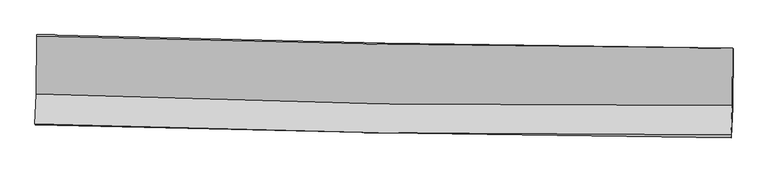
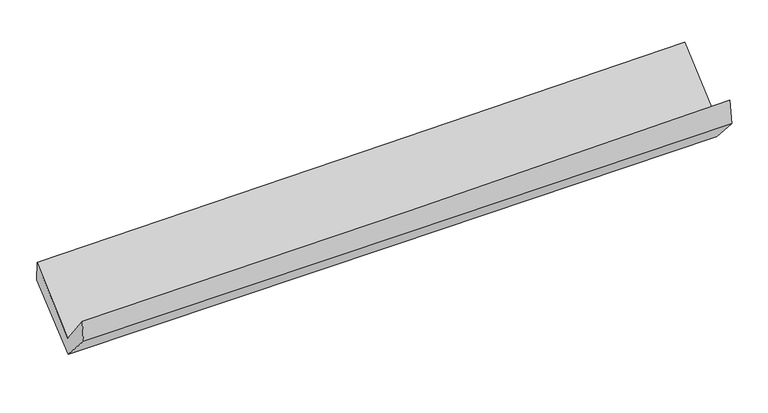
"""IFC4 building model written with IfcOpenShell, lengths in millimetres: proxy geometry."""

from ifc_helpers import new_model, si_unit, frame, origin, place, context, project, spatial, source, transform, mapped, element, save
from ifc_brep_helpers import plane_surface, spline_curve, spline_surface, advanced_brep


def generic_models_f84c7ce4(model_context):
    return source(origin(), model_context, "Body", "AdvancedBrep", [
        advanced_brep(
        [(-3029.6357609, -1165.573231, 2169.920214), (-3031.657303, -1672.8034409, 1720.6359346), (3020.4168103, -1769.5658376, 1883.8029364), (3022.492696, -1272.8295143, 2318.9594264), (-3043.8251861, -1931.0349726, 2051.6661676), (3008.4652715, -2030.0018685, 2201.5668844), (-3040.1599929, -1940.9442823, 1856.7147549), (3012.3393426, -2054.5050582, 1980.2689942), (-3028.6069747, -1675.6076221, 1564.3002274), (3023.7458634, -1792.5329862, 1691.5624144), (-3025.8525239, -1155.7249726, 1990.4942453), (3026.48189, -1276.127766, 2114.9056745)],
        [
            (0, 1),
            (1, 2, spline_curve(3, [(-3031.657303, -1672.8034409, 1720.6359346), (-2023.66869472, -1713.125993986, 1757.029730478), (-1015.342649983, -1741.350865779, 1788.823740069), (1002.015366727, -1773.605742746, 1843.213023987), (2011.047359901, -1777.635003326, 1865.808015032), (3020.4168103, -1769.5658376, 1883.8029364)], [4, 2, 4], [0.0, 9.933163490440174, 19.86663280323644])),
            (2, 3),
            (3, 0, spline_curve(3, [(3022.492696, -1272.8295143, 2318.9594264), (2013.337843637, -1267.811450759, 2304.393472746), (1004.408619006, -1256.364158774, 2284.690291068), (-1012.967519384, -1220.611668391, 2235.010237496), (-2021.414447074, -1196.306865965, 2205.033681392), (-3029.6357609, -1165.573231, 2169.920214)], [4, 2, 4], [0.0, 9.933469312796264, 19.86663280323644])),
            (1, 4),
            (4, 5, spline_curve(3, [(-3043.8251861, -1931.0349726, 2051.6661676), (-2035.645295511, -1967.091003812, 2083.080953361), (-1027.205580217, -1993.36628411, 2111.279929949), (990.224556271, -2026.355851724, 2161.247033833), (1999.214993377, -2033.069536668, 2183.014962635), (3008.4652715, -2030.0018685, 2201.5668844)], [4, 2, 4], [0.0, 9.93334555652663, 19.866996941014804])),
            (5, 2),
            (4, 6),
            (6, 7, spline_curve(3, [(-3040.1599929, -1940.9442823, 1856.7147549), (-2031.630659057, -1967.1610842, 1881.254553534), (-1022.998813188, -1989.732793704, 1903.820511118), (994.500958913, -2027.586610009, 1945.005379272), (2003.368891739, -2042.868492729, 1963.624167735), (3012.3393426, -2054.5050582, 1980.2689942)], [4, 2, 4], [0.0, 9.932631181013791, 19.865568167994926])),
            (7, 5),
            (6, 8),
            (8, 9, spline_curve(3, [(-3028.6069747, -1675.6076221, 1564.3002274), (-2020.053118892, -1701.261230895, 1588.219358441), (-1011.42121948, -1723.831713247, 1610.783963939), (1006.029721654, -1762.80702433, 1653.204776277), (2014.848768302, -1779.211663473, 1673.060899944), (3023.7458634, -1792.5329862, 1691.5624144)], [4, 2, 4], [0.0, 9.932378904839478, 19.865063607879218])),
            (9, 7),
            (8, 10),
            (10, 11, spline_curve(3, [(-3025.8525239, -1155.7249726, 1990.4942453), (-2017.31063002, -1183.636315824, 2012.562511015), (-1008.686247138, -1207.625459414, 2033.964113531), (1008.758552417, -1247.759965407, 2075.434630857), (2017.578974278, -1263.905086108, 2095.503504663), (3026.48189, -1276.127766, 2114.9056745)], [4, 2, 4], [0.0, 9.932362086602604, 19.86502997088767])),
            (11, 9),
            (10, 0),
            (3, 11),
        ],
        [
            spline_surface(3, 3, [[(-3029.6357609, -1165.573231, 2169.920214), (-2021.414447126, -1196.306865965, 2205.033681419), (-1012.967519392, -1220.611668442, 2235.01023738), (1004.408619015, -1256.364158724, 2284.690291183), (2013.337843582, -1267.811450719, 2304.393472647), (3022.492696, -1272.8295143, 2318.9594264)], [(-3030.309608256, -1334.649967624, 2020.158787528), (-2022.16586301, -1368.57990862, 2055.699031125), (-1013.759229637, -1394.191400839, 2086.281404972), (1003.610868291, -1428.778020079, 2137.531202127), (2012.574349035, -1437.752634933, 2158.198320082), (3021.800734092, -1438.408288727, 2173.907263058)], [(-3030.983455644, -1503.726704276, 1870.397361072), (-2022.917278926, -1540.852951304, 1906.364380848), (-1014.550939869, -1567.771133287, 1937.552572507), (1002.81311758, -1601.191881485, 1990.372113013), (2011.810854511, -1607.693819166, 2012.003167543), (3021.108772208, -1603.987063173, 2028.855099742)], [(-3031.657303, -1672.8034409, 1720.6359346), (-2023.66869481, -1713.125993959, 1757.029730554), (-1015.342650113, -1741.350865684, 1788.823740099), (1002.015366857, -1773.60574284, 1843.213023957), (2011.047359964, -1777.635003381, 1865.808014977), (3020.4168103, -1769.5658376, 1883.8029364)]], [4, 4], [4, 2, 4], [0.0, 2.2404637512222], [0.0, 9.933163490440174, 19.86663280323644]),
            spline_surface(3, 3, [[(-3031.657303, -1672.8034409, 1720.6359346), (-2023.66869481, -1713.125993959, 1757.029730554), (-1015.342650113, -1741.350865684, 1788.823740099), (1002.015366857, -1773.60574284, 1843.213023957), (2011.047359964, -1777.635003381, 1865.808014977), (3020.4168103, -1769.5658376, 1883.8029364)], [(-3035.713264035, -1758.880618135, 1830.979345626), (-2027.660895084, -1797.780997193, 1865.713471563), (-1019.296960136, -1825.356005177, 1896.30913675), (998.085096691, -1857.855779142, 1949.224360525), (2007.10323781, -1862.779847789, 1971.543664225), (3016.432964056, -1856.377847932, 1989.724252395)], [(-3039.769225065, -1844.957795365, 1941.322756574), (-2031.653095355, -1882.436000422, 1974.397212494), (-1023.251270221, -1909.361144632, 2003.794533436), (994.154826463, -1942.105815406, 2055.235697127), (2003.159115587, -1947.924692103, 2077.279313488), (3012.449117744, -1943.189858168, 2095.645568405)], [(-3043.8251861, -1931.0349726, 2051.6661676), (-2035.645295629, -1967.091003656, 2083.080953502), (-1027.205580243, -1993.366284126, 2111.279930088), (990.224556297, -2026.355851708, 2161.247033694), (1999.214993432, -2033.069536511, 2183.014962735), (3008.4652715, -2030.0018685, 2201.5668844)]], [4, 4], [4, 2, 4], [0.0, 1.3383004803811622], [0.0, 9.93334555652663, 19.866996941014804]),
            spline_surface(3, 3, [[(-3043.8251861, -1931.0349726, 2051.6661676), (-2035.645295629, -1967.091003656, 2083.080953502), (-1027.205580243, -1993.366284126, 2111.279930088), (990.224556297, -2026.355851708, 2161.247033694), (1999.214993432, -2033.069536511, 2183.014962735), (3008.4652715, -2030.0018685, 2201.5668844)], [(-3042.603455048, -1934.338075829, 1986.682363343), (-2034.307083432, -1967.114363842, 2015.805486803), (-1025.803324591, -1992.15512062, 2042.126790464), (991.650023834, -2026.766104483, 2089.166482193), (2000.599626171, -2036.335855196, 2109.884697772), (3009.756628519, -2038.169598385, 2127.800920985)], [(-3041.381723952, -1937.641179071, 1921.698559157), (-2032.968871189, -1967.137724041, 1948.530020175), (-1024.401068887, -1990.94395715, 1972.973650833), (993.075491423, -2027.176357293, 2017.085930683), (2001.984258951, -2039.602173925, 2036.754432854), (3011.047985581, -2046.337328315, 2054.034957615)], [(-3040.1599929, -1940.9442823, 1856.7147549), (-2031.630658991, -1967.161084226, 1881.254553476), (-1022.998813235, -1989.732793645, 1903.820511209), (994.50095896, -2027.586610068, 1945.005379181), (2003.36889169, -2042.86849261, 1963.624167891), (3012.3393426, -2054.5050582, 1980.2689942)]], [4, 4], [4, 2, 4], [0.0, 0.695198603950642], [0.0, 9.932631181013791, 19.865568167994926]),
            spline_surface(3, 3, [[(-3040.1599929, -1940.9442823, 1856.7147549), (-2031.630658991, -1967.161084226, 1881.254553476), (-1022.998813235, -1989.732793645, 1903.820511209), (994.50095896, -2027.586610068, 1945.005379181), (2003.36889169, -2042.86849261, 1963.624167891), (3012.3393426, -2054.5050582, 1980.2689942)], [(-3036.308986811, -1852.498728891, 1759.243245734), (-2027.771478909, -1878.527799794, 1783.57615515), (-1019.139615342, -1901.099100161, 1806.141662088), (998.343879858, -1939.326748184, 1847.738511542), (2007.195517281, -1954.982882911, 1866.769745241), (3016.1415162, -1967.181034195, 1884.033467616)], [(-3032.457980789, -1764.053175509, 1661.771736566), (-2023.912298895, -1789.894515386, 1685.897756822), (-1015.280417411, -1812.465406661, 1708.46281302), (1002.186800795, -1851.066886284, 1750.471643956), (2011.022142873, -1867.097273229, 1769.915322542), (3019.9436898, -1879.857010205, 1787.797940984)], [(-3028.6069747, -1675.6076221, 1564.3002274), (-2020.053118813, -1701.261230953, 1588.219358496), (-1011.421219519, -1723.831713177, 1610.783963899), (1006.029721693, -1762.8070244, 1653.204776317), (2014.848768464, -1779.21166353, 1673.060899892), (3023.7458634, -1792.5329862, 1691.5624144)]], [4, 4], [4, 2, 4], [0.0, 1.2960254918527219], [0.0, 9.932378904839478, 19.865063607879218]),
            spline_surface(3, 3, [[(-3028.6069747, -1675.6076221, 1564.3002274), (-2020.053118813, -1701.261230953, 1588.219358496), (-1011.421219519, -1723.831713177, 1610.783963899), (1006.029721693, -1762.8070244, 1653.204776317), (2014.848768464, -1779.21166353, 1673.060899892), (3023.7458634, -1792.5329862, 1691.5624144)], [(-3027.688824439, -1502.313405602, 1706.364900041), (-2019.138955873, -1528.719592562, 1729.667075969), (-1010.509562038, -1551.762961915, 1751.844013759), (1006.939331953, -1591.124671391, 1793.948061185), (2015.758837052, -1607.442804422, 1813.875101499), (3024.657872271, -1620.397912793, 1832.676834418)], [(-3026.770674161, -1329.019189098, 1848.429572659), (-2018.224792918, -1356.177954165, 1871.11479342), (-1009.597904615, -1379.694210682, 1892.904063613), (1007.848942153, -1419.44231841, 1934.691346046), (2016.668905628, -1435.673945335, 1954.68930315), (3025.569881129, -1448.262839407, 1973.791254482)], [(-3025.8525239, -1155.7249726, 1990.4942453), (-2017.310629978, -1183.636315774, 2012.562510893), (-1008.686247134, -1207.62545942, 2033.964113474), (1008.758552413, -1247.759965401, 2075.434630914), (2017.578974216, -1263.905086227, 2095.503504756), (3026.48189, -1276.127766, 2114.9056745)]], [4, 4], [4, 2, 4], [0.0, 2.1875055052281835], [0.0, 9.932362086602604, 19.86502997088767]),
            spline_surface(3, 3, [[(-3025.8525239, -1155.7249726, 1990.4942453), (-2017.310629978, -1183.636315774, 2012.562510893), (-1008.686247134, -1207.62545942, 2033.964113474), (1008.758552413, -1247.759965401, 2075.434630914), (2017.578974216, -1263.905086227, 2095.503504756), (3026.48189, -1276.127766, 2114.9056745)], [(-3027.113602912, -1159.007725419, 2050.302901529), (-2018.678569039, -1187.859832522, 2076.719567731), (-1010.113337893, -1211.954195781, 2100.979488114), (1007.308574607, -1250.628029862, 2145.186517675), (2016.165264, -1265.207207726, 2165.13349408), (3025.152158662, -1275.028348769, 2182.923591827)], [(-3028.374681888, -1162.290478181, 2110.111557771), (-2020.046508065, -1192.083349216, 2140.876624582), (-1011.540428633, -1216.282932081, 2167.99486274), (1005.85859682, -1253.496094263, 2214.938404422), (2014.751553798, -1266.50932922, 2234.763483323), (3023.822427338, -1273.928931531, 2250.941509073)], [(-3029.6357609, -1165.573231, 2169.920214), (-2021.414447126, -1196.306865965, 2205.033681419), (-1012.967519392, -1220.611668442, 2235.01023738), (1004.408619015, -1256.364158724, 2284.690291183), (2013.337843582, -1267.811450719, 2304.393472647), (3022.492696, -1272.8295143, 2318.9594264)]], [4, 4], [4, 2, 4], [0.0, 0.6741475351264148], [0.0, 9.932507798300248, 19.86532139876913]),
            plane_surface(frame((3018.9903123, -1699.2605051, 2031.8443884), z_axis=(0.9995687707002718, -0.02160190685654237, 0.01989045652841716), x_axis=(0.004097329797017248, 0.7733413436822476, 0.6339766384026074))),
            plane_surface(frame((-3033.2896236, -1590.2814202, 1892.2885906), z_axis=(-0.9995687707002743, 0.021601906856478663, -0.01989045652836), x_axis=(0.021048871593456826, 0.05479295263478356, -0.9982758523305092))),
        ],
        [
            (0, [[1, 2, 3, 4]]),
            (1, [[5, 6, 7, -2]]),
            (2, [[8, 9, 10, -6]]),
            (3, [[11, 12, 13, -9]]),
            (4, [[14, 15, 16, -12]]),
            (5, [[17, -4, 18, -15]]),
            (6, [[-16, -18, -3, -7, -10, -13]]),
            (7, [[-17, -14, -11, -8, -5, -1]]),
        ],
    ),
    ])


if __name__ == "__main__":
    model = new_model("IFC4")
    model_context = context("Model", 3, world=origin())
    ifc_project = project(units=[si_unit("LENGTHUNIT", "METRE", prefix="MILLI")], contexts=[model_context])
    site = spatial("IfcSite", under=ifc_project)
    building = spatial("IfcBuilding", under=site)
    placement = place(None, origin())
    generic_models_shape = generic_models_f84c7ce4(model_context)
    element("IfcBuildingElementProxy", 1, Name="Generic Models", at=placement, inside=building, context=model_context, shape_type="MappedRepresentation", body=[
        mapped(generic_models_shape, transform((0.0, 0.0, 0.0), x_axis=(1.0, 0.0, 0.0), y_axis=(0.0, 1.0, 0.0), z_axis=(0.0, 0.0, 1.0))),
    ])
    save(model, "model.ifc")
